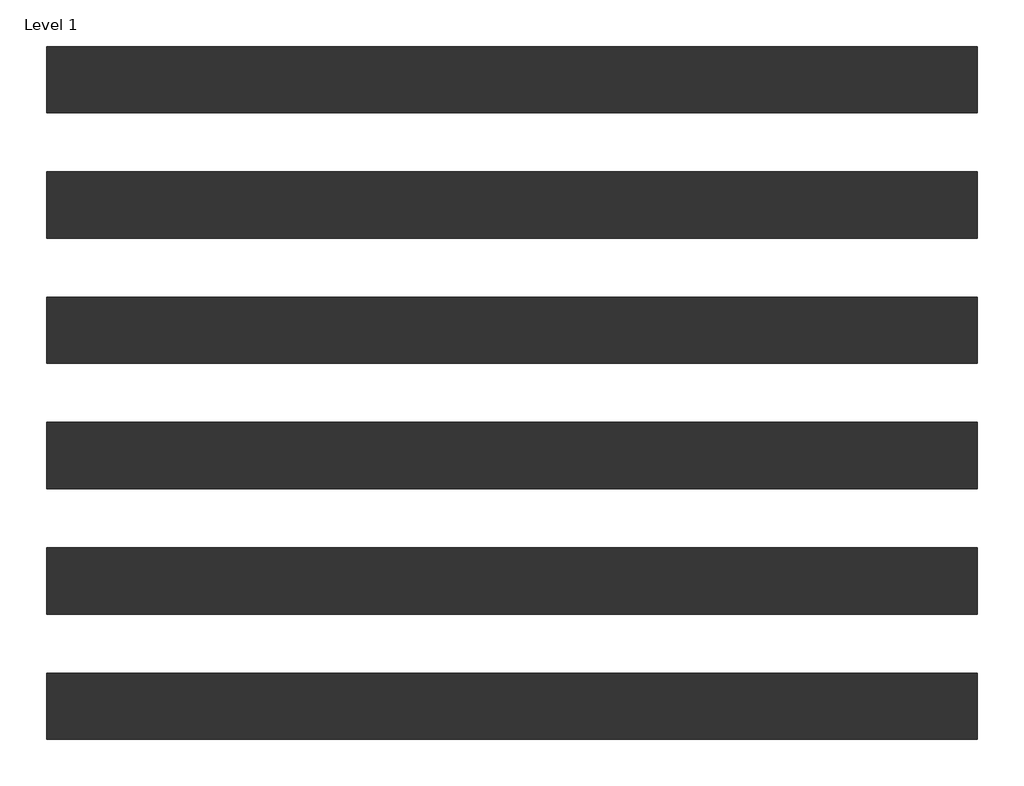
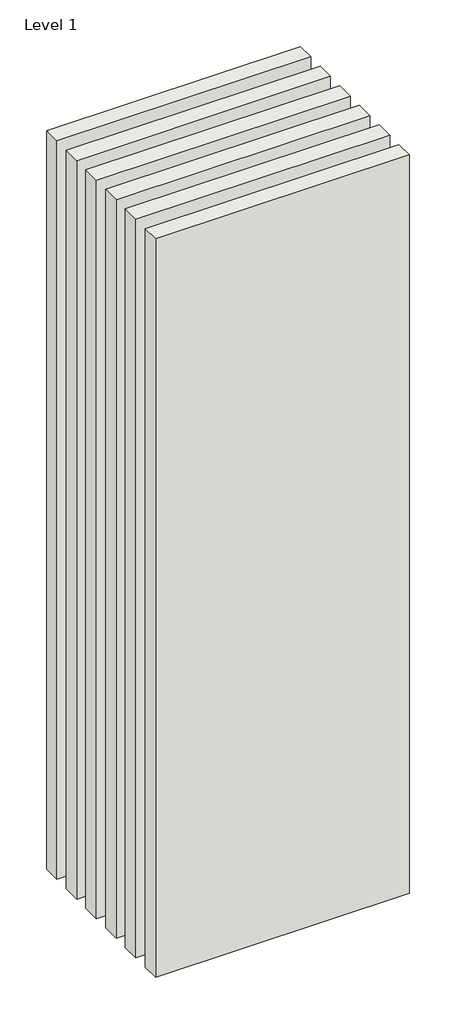
# One storey: 6 walls.
"""IFC4 building model written with IfcOpenShell, lengths in millimetres."""

from ifc_helpers import new_model, si_unit, origin, origin_with_axes, place, context, project, spatial, polyline, outline, extrude, element, save

model = new_model("IFC4")

# Units and contexts
model_context = context("Model", 3, world=origin())
ifc_project = project(units=[si_unit("LENGTHUNIT", "METRE", prefix="MILLI")], contexts=[model_context])

# Site, building, storey
site = spatial("IfcSite", under=ifc_project)
building = spatial("IfcBuilding", under=site)
storey = spatial("IfcBuildingStorey", under=building, Name="Level 1", Elevation=0.0)

# Walls
placement = place(None, origin())
element("IfcWall", 1, at=placement, inside=storey, context=model_context, shape_type="SweptSolid", body=[
    extrude(outline(polyline([(-16904.1464237, 4343.9042935), (-19504.1464237, 4343.9042935), (-19504.1464237, 4528.9042935), (-16904.1464237, 4528.9042935), (-16904.1464237, 4343.9042935)])), origin_with_axes(), (0.0, 0.0, 1.0), 8000.0),
])
element("IfcWall", 2, at=placement, inside=storey, context=model_context, shape_type="SweptSolid", body=[
    extrude(outline(polyline([(-16904.1464237, 5043.9042935), (-19504.1464237, 5043.9042935), (-19504.1464237, 5228.9042935), (-16904.1464237, 5228.9042935), (-16904.1464237, 5043.9042935)])), origin_with_axes(), (0.0, 0.0, 1.0), 8000.0),
])
element("IfcWall", 3, at=placement, inside=storey, context=model_context, shape_type="SweptSolid", body=[
    extrude(outline(polyline([(-16904.1464237, 3993.9042935), (-19504.1464237, 3993.9042935), (-19504.1464237, 4178.9042935), (-16904.1464237, 4178.9042935), (-16904.1464237, 3993.9042935)])), origin_with_axes(), (0.0, 0.0, 1.0), 8000.0),
])
element("IfcWall", 4, at=placement, inside=storey, context=model_context, shape_type="SweptSolid", body=[
    extrude(outline(polyline([(-16904.1464237, 5743.9042935), (-19504.1464237, 5743.9042935), (-19504.1464237, 5928.9042935), (-16904.1464237, 5928.9042935), (-16904.1464237, 5743.9042935)])), origin_with_axes(), (0.0, 0.0, 1.0), 8000.0),
])
element("IfcWall", 5, at=placement, inside=storey, context=model_context, shape_type="SweptSolid", body=[
    extrude(outline(polyline([(-16904.1464237, 4693.9042935), (-19504.1464237, 4693.9042935), (-19504.1464237, 4878.9042935), (-16904.1464237, 4878.9042935), (-16904.1464237, 4693.9042935)])), origin_with_axes(), (0.0, 0.0, 1.0), 8000.0),
])
element("IfcWall", 6, at=placement, inside=storey, context=model_context, shape_type="SweptSolid", body=[
    extrude(outline(polyline([(-16904.1464237, 5393.9042935), (-19504.1464237, 5393.9042935), (-19504.1464237, 5578.9042935), (-16904.1464237, 5578.9042935), (-16904.1464237, 5393.9042935)])), origin_with_axes(), (0.0, 0.0, 1.0), 8000.0),
])

save(model, "model.ifc")
